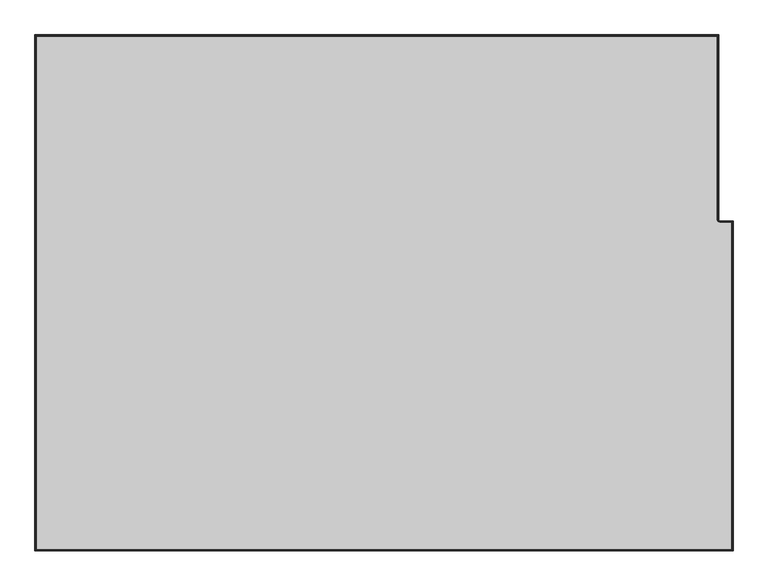
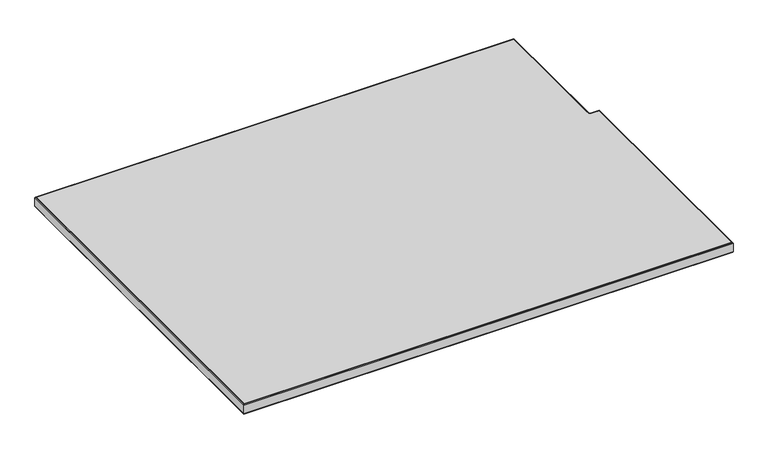
"""IFC4 building model written with IfcOpenShell, lengths in millimetres: furniture geometry."""

from ifc_helpers import new_model, si_unit, frame, origin, place, context, project, spatial, polyline, outline, extrude, faceted_brep, source, transform, mapped, element, save


def furniture_a2f3db3b(model_context):
    return source(origin(), model_context, "Body", "SolidModel", [
        faceted_brep([(-1218.6142073, 75.4322481, 737.5352142), (-25.9857889, 75.4322481, 737.5352142), (-25.3999962, 76.0180408, 736.1209837), (-1219.2, 76.0180408, 736.1209837), (-1217.1934, 74.0114408, 738.1237311), (-27.4065962, 74.0114408, 738.1237311), (-1217.1934, 74.0114408, 711.1972516), (-27.4065962, 74.0114408, 711.1972516), (-1218.6142073, 75.4322481, 711.7857685), (-25.9857889, 75.4322481, 711.7857685), (-1219.2, 76.0180408, 713.199999), (-25.3999962, 76.0180408, 713.199999), (-25.9857889, -247.0333954, 737.5352142), (-25.3999962, -246.9168738, 736.1209837), (-27.4065962, -247.3160121, 738.1237311), (-27.4065962, -247.3160121, 711.1972516), (-25.9857889, -247.0333954, 711.7857685), (-25.3999962, -246.9168738, 713.199999), (-25.1409832, -249.0729331, 737.5352142), (-24.6926365, -248.6245879, 736.1209837), (-26.2284227, -250.1603692, 738.1237311), (-26.2284227, -250.1603692, 711.1972516), (-25.1409832, -249.0729331, 711.7857685), (-24.6926365, -248.6245879, 713.199999), (-23.1014115, -249.9177605, 737.5352142), (-22.9848889, -249.3319678, 736.1209837), (-23.3840305, -251.3385678, 738.1237311), (-23.3840305, -251.3385678, 711.1972516), (-23.1014115, -249.9177605, 711.7857685), (-22.9848889, -249.3319678, 713.199999), (-0.5857927, -249.9177605, 737.5352142), (0.0, -249.3319678, 736.1209837), (-2.0066, -251.3385678, 738.1237311), (-2.0066, -251.3385678, 711.1972516), (-0.5857927, -249.9177605, 711.7857685), (0.0, -249.3319678, 713.199999), (-0.5857927, -825.0961697, 737.5352142), (0.0, -825.6819624, 736.1209837), (-2.0066, -823.6753624, 738.1237311), (-2.0066, -823.6753624, 711.1972516), (-0.5857927, -825.0961697, 711.7857685), (0.0, -825.6819624, 713.199999), (-1218.6142073, -825.0961697, 737.5352142), (-1219.2, -825.6819624, 736.1209837), (-1217.1934, -823.6753624, 738.1237311), (-1217.1934, -823.6753624, 711.1972516), (-1218.6142073, -825.0961697, 711.7857685), (-1219.2, -825.6819624, 713.199999)], [[[0, 1, 2, 3]], [[4, 5, 1, 0]], [[6, 7, 5, 4]], [[8, 9, 7, 6]], [[10, 11, 9, 8]], [[3, 2, 11, 10]], [[1, 12, 13, 2]], [[5, 14, 12, 1]], [[7, 15, 14, 5]], [[9, 16, 15, 7]], [[11, 17, 16, 9]], [[2, 13, 17, 11]], [[12, 18, 19, 13]], [[14, 20, 18, 12]], [[15, 21, 20, 14]], [[16, 22, 21, 15]], [[17, 23, 22, 16]], [[13, 19, 23, 17]], [[18, 24, 25, 19]], [[20, 26, 24, 18]], [[21, 27, 26, 20]], [[22, 28, 27, 21]], [[23, 29, 28, 22]], [[19, 25, 29, 23]], [[24, 30, 31, 25]], [[26, 32, 30, 24]], [[27, 33, 32, 26]], [[28, 34, 33, 27]], [[29, 35, 34, 28]], [[25, 31, 35, 29]], [[30, 36, 37, 31]], [[32, 38, 36, 30]], [[33, 39, 38, 32]], [[34, 40, 39, 33]], [[35, 41, 40, 34]], [[31, 37, 41, 35]], [[36, 42, 43, 37]], [[38, 44, 42, 36]], [[39, 45, 44, 38]], [[40, 46, 45, 39]], [[41, 47, 46, 40]], [[37, 43, 47, 41]], [[42, 0, 3, 43]], [[44, 4, 0, 42]], [[45, 6, 4, 44]], [[46, 8, 6, 45]], [[47, 10, 8, 46]], [[43, 3, 10, 47]]]),
        extrude(outline(polyline([(-1217.1934, 74.0114408), (-27.4065962, 74.0114408), (-27.4065962, -247.3160121), (-26.2284227, -250.1603692), (-23.3840305, -251.3385678), (-2.0066, -251.3385678), (-2.0066, -823.6753624), (-1217.1934, -823.6753624), (-1217.1934, 74.0114408)])), frame((0.0, 0.0, 711.1999864), z_axis=(0.0, 0.0, 1.0), x_axis=(1.0, 0.0, 0.0)), (0.0, 0.0, 1.0), 26.924),
    ])


if __name__ == "__main__":
    model = new_model("IFC4")
    model_context = context("Model", 3, world=origin())
    ifc_project = project(units=[si_unit("LENGTHUNIT", "METRE", prefix="MILLI")], contexts=[model_context])
    site = spatial("IfcSite", under=ifc_project)
    building = spatial("IfcBuilding", under=site)
    placement = place(None, origin())
    furniture_shape = furniture_a2f3db3b(model_context)
    element("IfcFurniture", 1, at=placement, inside=building, context=model_context, shape_type="MappedRepresentation", body=[
        mapped(furniture_shape, transform((0.0, 0.0, 0.0), x_axis=(1.0, 0.0, 0.0), y_axis=(0.0, 1.0, 0.0), z_axis=(0.0, 0.0, 1.0))),
    ])
    save(model, "model.ifc")
